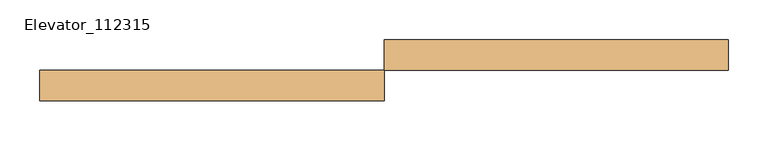
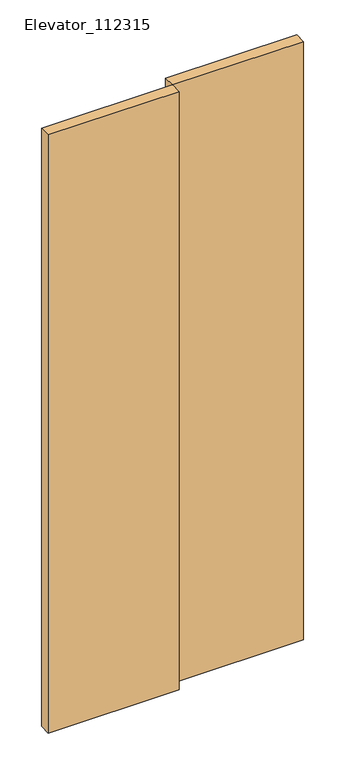
"""IFC4 building model written with IfcOpenShell, lengths in millimetres: door geometry, Elevator_112315."""

from ifc_helpers import new_model, si_unit, origin, origin_with_axes, place, context, project, spatial, polyline, outline, extrude, source, transform, mapped, element, save


def elevator_112315_81312a77(model_context):
    return source(origin(), model_context, "Body", "SweptSolid", [
        extrude(outline(polyline([(0.0, 31.75), (-431.8, 31.75), (-431.8, 69.85), (0.0, 69.85), (0.0, 31.75)])), origin_with_axes(), (0.0, 0.0, 1.0), 2082.8),
        extrude(outline(polyline([(431.8, 69.85), (0.0, 69.85), (0.0, 107.95), (431.8, 107.95), (431.8, 69.85)])), origin_with_axes(), (0.0, 0.0, 1.0), 2082.8),
    ])


if __name__ == "__main__":
    model = new_model("IFC4")
    model_context = context("Model", 3, world=origin())
    ifc_project = project(units=[si_unit("LENGTHUNIT", "METRE", prefix="MILLI")], contexts=[model_context])
    site = spatial("IfcSite", under=ifc_project)
    building = spatial("IfcBuilding", under=site)
    placement = place(None, origin())
    elevator_112315_shape = elevator_112315_81312a77(model_context)
    element("IfcDoor", 1, ObjectType="Elevator_112315", at=placement, inside=building, context=model_context, shape_type="MappedRepresentation", body=[
        mapped(elevator_112315_shape, transform((0.0, 0.0, 0.0), x_axis=(1.0, 0.0, 0.0), y_axis=(0.0, 1.0, 0.0), z_axis=(0.0, 0.0, 1.0))),
    ])
    save(model, "model.ifc")
